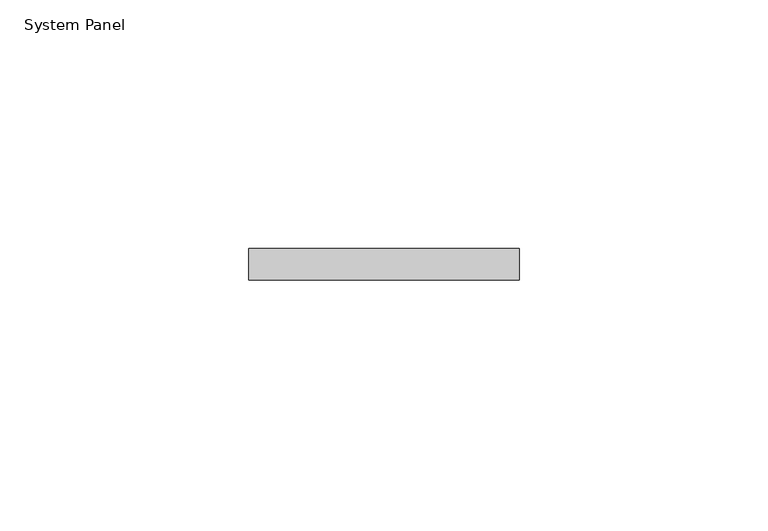
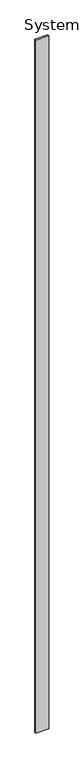
"""IFC4 building model written with IfcOpenShell, lengths in millimetres: plate geometry, System Panel."""

from ifc_helpers import new_model, si_unit, origin, origin_with_axes, place, context, project, spatial, polyline, outline, extrude, source, transform, mapped, element, save


def system_panel_bea07d77(model_context):
    return source(origin(), model_context, "Body", "SweptSolid", [
        extrude(outline(polyline([(27.2226117, -6.35), (-27.2226117, -6.35), (-27.2226117, 0.0), (27.2226117, 0.0), (27.2226117, -6.35)])), origin_with_axes(), (0.0, 0.0, 1.0), 3048.0),
    ])


if __name__ == "__main__":
    model = new_model("IFC4")
    model_context = context("Model", 3, world=origin())
    ifc_project = project(units=[si_unit("LENGTHUNIT", "METRE", prefix="MILLI")], contexts=[model_context])
    site = spatial("IfcSite", under=ifc_project)
    building = spatial("IfcBuilding", under=site)
    placement = place(None, origin())
    system_panel_shape = system_panel_bea07d77(model_context)
    element("IfcPlate", 1, ObjectType="System Panel", at=placement, inside=building, context=model_context, shape_type="MappedRepresentation", body=[
        mapped(system_panel_shape, transform((0.0, 0.0, 0.0), x_axis=(1.0, 0.0, 0.0), y_axis=(0.0, 1.0, 0.0), z_axis=(0.0, 0.0, 1.0))),
    ])
    save(model, "model.ifc")
